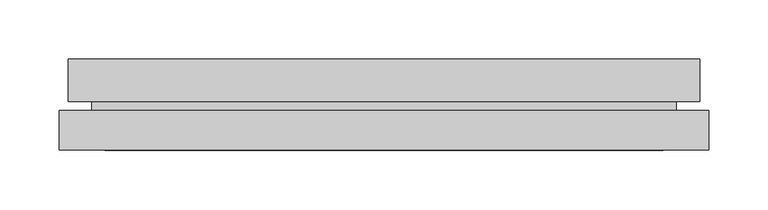
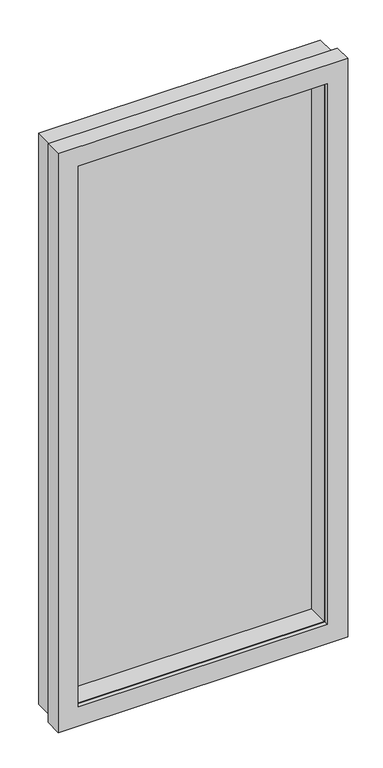
"""IFC4 building model written with IfcOpenShell, lengths in millimetres: plate geometry."""

from ifc_helpers import new_model, si_unit, frame, origin, place, context, project, spatial, polyline, outline, extrude, faceted_brep, source, transform, mapped, element, save


def plate_09250f51(model_context):
    return source(origin(), model_context, "Body", "SolidModel", [
        faceted_brep([(234.95, -75.9023437, 38.1), (234.95, -116.7801872, 38.1), (234.95, -116.7801872, 1117.6), (234.95, -75.9023437, 1117.6), (256.7432, -50.5023438, 16.3068), (256.7432, -75.9023437, 16.3068), (256.7432, -75.9023437, 1139.3932), (256.7432, -50.5023438, 1139.3932), (265.4808, -86.2239872, 7.5692), (265.4808, -50.5023438, 7.5692), (265.4808, -50.5023438, 1148.1308), (265.4808, -86.2239872, 1148.1308), (246.0498, -116.7801872, 27.0002), (246.0498, -86.2239872, 27.0002), (246.0498, -86.2239872, 1128.6998), (246.0498, -116.7801872, 1128.6998), (-234.95, -116.7801872, 1117.6), (-234.95, -75.9023437, 1117.6), (-256.7432, -75.9023437, 1139.3932), (-256.7432, -50.5023437, 1139.3932), (-265.4808, -50.5023437, 1148.1308), (-265.4808, -86.2239872, 1148.1308), (-246.0498, -86.2239872, 1128.6998), (-246.0498, -116.7801872, 1128.6998), (-234.95, -116.7801872, 38.1), (-234.95, -75.9023437, 38.1), (-256.7432, -75.9023437, 16.3068), (-256.7432, -50.5023437, 16.3068), (-265.4808, -50.5023437, 7.5692), (-265.4808, -86.2239872, 7.5692), (-246.0498, -86.2239872, 27.0002), (-246.0498, -116.7801872, 27.0002)], [[[0, 1, 2, 3]], [[4, 5, 6, 7]], [[8, 9, 10, 11]], [[12, 13, 14, 15]], [[3, 2, 16, 17]], [[7, 6, 18, 19]], [[11, 10, 20, 21]], [[15, 14, 22, 23]], [[17, 16, 24, 25]], [[19, 18, 26, 27]], [[21, 20, 28, 29]], [[23, 22, 30, 31]], [[15, 23, 31, 12], [1, 24, 16, 2]], [[25, 24, 1, 0]], [[5, 26, 18, 6], [3, 17, 25, 0]], [[27, 26, 5, 4]], [[9, 28, 20, 10], [7, 19, 27, 4]], [[29, 28, 9, 8]], [[11, 21, 29, 8], [13, 30, 22, 14]], [[31, 30, 13, 12]]]),
        faceted_brep([(273.05, -126.9909872, 0.0), (273.05, -93.6661872, 0.0), (273.05, -93.6661872, 1155.7), (273.05, -126.9909872, 1155.7), (262.83666, -93.6661872, 10.21334), (262.83666, -119.0661872, 10.21334), (262.83666, -119.0661872, 1145.48666), (262.83666, -93.6661872, 1145.48666), (234.95, -119.0661872, 38.1), (234.95, -126.9909872, 38.1), (234.95, -126.9909872, 1117.6), (234.95, -119.0661872, 1117.6), (-273.05, -93.6661872, 1155.7), (-273.05, -126.9909872, 1155.7), (-234.95, -126.9909872, 1117.6), (-234.95, -119.0661872, 1117.6), (-262.83666, -119.0661872, 1145.48666), (-262.83666, -93.6661872, 1145.48666), (-273.05, -93.6661872, 0.0), (-273.05, -126.9909872, 0.0), (-234.95, -126.9909872, 38.1), (-234.95, -119.0661872, 38.1), (-262.83666, -119.0661872, 10.21334), (-262.83666, -93.6661872, 10.21334)], [[[0, 1, 2, 3]], [[4, 5, 6, 7]], [[8, 9, 10, 11]], [[3, 2, 12, 13]], [[11, 10, 14, 15]], [[7, 6, 16, 17]], [[13, 12, 18, 19]], [[15, 14, 20, 21]], [[17, 16, 22, 23]], [[1, 18, 12, 2], [7, 17, 23, 4]], [[19, 18, 1, 0]], [[3, 13, 19, 0], [9, 20, 14, 10]], [[21, 20, 9, 8]], [[5, 22, 16, 6], [11, 15, 21, 8]], [[23, 22, 5, 4]]]),
        extrude(outline(polyline([(256.7432, -50.5023437), (256.7432, -75.9023437), (-256.7432, -75.9023437), (-256.7432, -50.5023437), (256.7432, -50.5023437)])), frame((0.0, 0.0, 16.3068), z_axis=(0.0, 0.0, 1.0), x_axis=(1.0, 0.0, 0.0)), (0.0, 0.0, 1.0), 1123.0863999),
    ])


if __name__ == "__main__":
    model = new_model("IFC4")
    model_context = context("Model", 3, world=origin())
    ifc_project = project(units=[si_unit("LENGTHUNIT", "METRE", prefix="MILLI")], contexts=[model_context])
    site = spatial("IfcSite", under=ifc_project)
    building = spatial("IfcBuilding", under=site)
    placement = place(None, origin())
    plate_shape = plate_09250f51(model_context)
    element("IfcPlate", 1, at=placement, inside=building, context=model_context, shape_type="MappedRepresentation", body=[
        mapped(plate_shape, transform((0.0, 0.0, 0.0), x_axis=(1.0, 0.0, 0.0), y_axis=(0.0, 1.0, 0.0), z_axis=(0.0, 0.0, 1.0))),
    ])
    save(model, "model.ifc")
